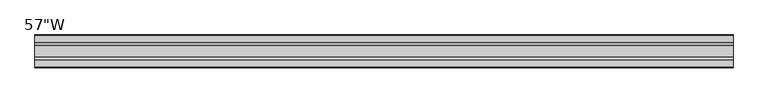
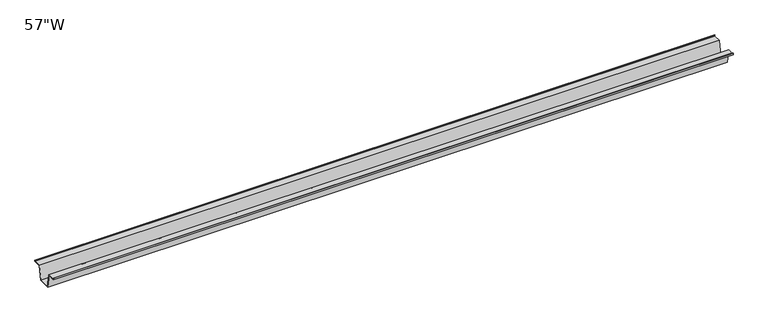
"""IFC4 building model written with IfcOpenShell, lengths in millimetres: furniture geometry."""

from ifc_helpers import new_model, si_unit, frame, origin, place, context, project, spatial, polyline, outline, extrude, source, transform, mapped, element, save


def furniture_2e51c0e1(model_context):
    return source(origin(), model_context, "Body", "SweptSolid", [
        extrude(outline(polyline([(-22.9397721, 708.025), (-28.502372, 677.7990007), (-53.9023728, 677.7990007), (-59.4649727, 708.025), (-75.3653716, 708.025), (-75.3653716, 711.2), (-74.5716216, 711.2), (-74.5716216, 708.81875), (-58.8172994, 708.81875), (-53.2546995, 678.5927507), (-29.1500453, 678.5927507), (-23.5874454, 708.81875), (-7.8331232, 708.81875), (-7.8331232, 711.2), (-7.0393732, 711.2), (-7.0393732, 708.025), (-22.9397721, 708.025)])), frame((-728.98, 0.0, 0.0), z_axis=(1.0, 0.0, 0.0), x_axis=(0.0, 1.0, 0.0)), (0.0, 0.0, 1.0), 1457.96),
    ])


if __name__ == "__main__":
    model = new_model("IFC4")
    model_context = context("Model", 3, world=origin())
    ifc_project = project(units=[si_unit("LENGTHUNIT", "METRE", prefix="MILLI")], contexts=[model_context])
    site = spatial("IfcSite", under=ifc_project)
    building = spatial("IfcBuilding", under=site)
    placement = place(None, origin())
    furniture_shape = furniture_2e51c0e1(model_context)
    element("IfcFurniture", 1, ObjectType="57\"W", at=placement, inside=building, context=model_context, shape_type="MappedRepresentation", body=[
        mapped(furniture_shape, transform((0.0, 0.0, 0.0), x_axis=(1.0, 0.0, 0.0), y_axis=(0.0, 1.0, 0.0), z_axis=(0.0, 0.0, 1.0))),
    ])
    save(model, "model.ifc")
